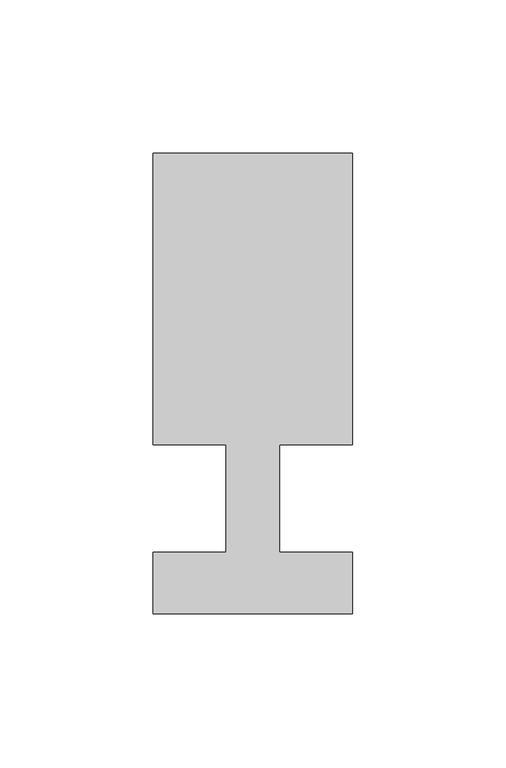
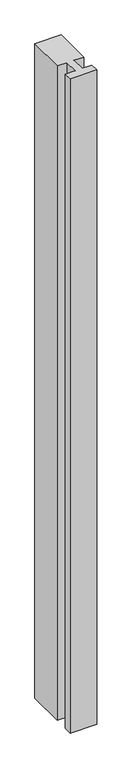
"""IFC4 building model written with IfcOpenShell, lengths in millimetres: member geometry."""

from ifc_helpers import new_model, si_unit, frame, origin, place, context, project, spatial, polyline, outline, extrude, source, transform, mapped, element, save


def member_36b40b80(model_context):
    return source(origin(), model_context, "Body", "SweptSolid", [
        extrude(outline(polyline([(-65.0, -37.0), (-65.0, -17.0), (-41.1875, -17.0), (-41.1875, 18.0), (-65.0, 18.0), (-65.0, 113.0), (0.0, 113.0), (0.0, 18.0), (-23.8125, 18.0), (-23.8125, -17.0), (0.0, -17.0), (0.0, -37.0), (-65.0, -37.0)])), frame((0.0, 0.0, -1700.0), z_axis=(0.0, 0.0, 1.0), x_axis=(1.0, 0.0, 0.0)), (0.0, 0.0, 1.0), 1700.0),
    ])


if __name__ == "__main__":
    model = new_model("IFC4")
    model_context = context("Model", 3, world=origin())
    ifc_project = project(units=[si_unit("LENGTHUNIT", "METRE", prefix="MILLI")], contexts=[model_context])
    site = spatial("IfcSite", under=ifc_project)
    building = spatial("IfcBuilding", under=site)
    placement = place(None, origin())
    member_shape = member_36b40b80(model_context)
    element("IfcMember", 1, at=placement, inside=building, context=model_context, shape_type="MappedRepresentation", body=[
        mapped(member_shape, transform((0.0, 0.0, 0.0), x_axis=(1.0, 0.0, 0.0), y_axis=(0.0, 1.0, 0.0), z_axis=(0.0, 0.0, 1.0))),
    ])
    save(model, "model.ifc")
